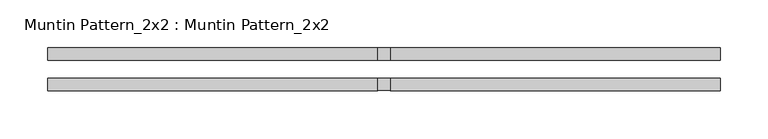
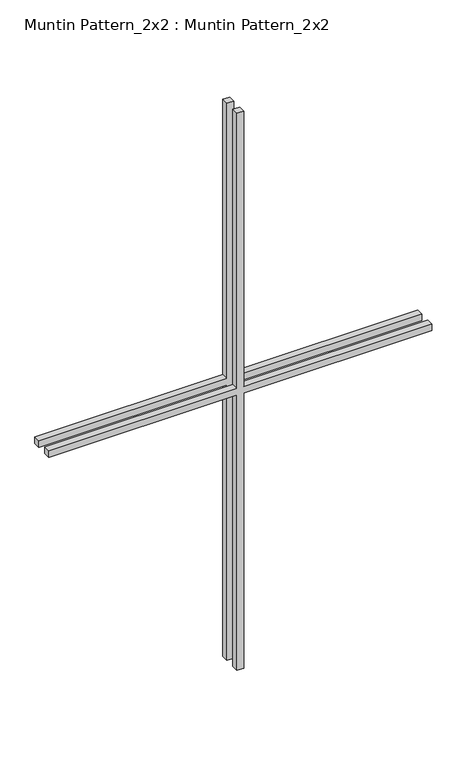
"""IFC4 building model written with IfcOpenShell, lengths in millimetres: proxy geometry, Muntin Pattern_2x2 : Muntin Pattern_2x2."""

from ifc_helpers import new_model, si_unit, frame, origin, place, context, project, spatial, polyline, outline, extrude, source, transform, mapped, element, save


def muntin_pattern_2x2_muntin_pattern_2x2_0914ab79(model_context):
    return source(origin(), model_context, "Body", "SweptSolid", [
        extrude(outline(polyline([(546.1, -6.35), (546.1, -350.8375), (533.4, -350.8375), (533.4, -6.35), (0.0, -6.35), (0.0, 6.35), (533.4, 6.35), (533.4, 350.8375), (546.1, 350.8375), (546.1, 6.35), (1079.5, 6.35), (1079.5, -6.35), (546.1, -6.35)])), frame((0.0, -22.225, 0.0), z_axis=(0.0, 1.0, 0.0), x_axis=(0.0, 0.0, 1.0)), (0.0, 0.0, 1.0), 12.7),
        extrude(outline(polyline([(546.1, -6.35), (546.1, -350.8375), (533.4, -350.8375), (533.4, -6.35), (0.0, -6.35), (0.0, 6.35), (533.4, 6.35), (533.4, 350.8375), (546.1, 350.8375), (546.1, 6.35), (1079.5, 6.35), (1079.5, -6.35), (546.1, -6.35)])), frame((0.0, 9.525, 0.0), z_axis=(0.0, 1.0, 0.0), x_axis=(0.0, 0.0, 1.0)), (0.0, 0.0, 1.0), 12.7),
    ])


if __name__ == "__main__":
    model = new_model("IFC4")
    model_context = context("Model", 3, world=origin())
    ifc_project = project(units=[si_unit("LENGTHUNIT", "METRE", prefix="MILLI")], contexts=[model_context])
    site = spatial("IfcSite", under=ifc_project)
    building = spatial("IfcBuilding", under=site)
    placement = place(None, origin())
    muntin_pattern_2x2_muntin_pattern_2x2_shape = muntin_pattern_2x2_muntin_pattern_2x2_0914ab79(model_context)
    element("IfcBuildingElementProxy", 1, Name="Muntin Pattern_2x2 : Muntin Pattern_2x2", ObjectType="Muntin Pattern_2x2 : Muntin Pattern_2x2", at=placement, inside=building, context=model_context, shape_type="MappedRepresentation", body=[
        mapped(muntin_pattern_2x2_muntin_pattern_2x2_shape, transform((0.0, 0.0, 0.0), x_axis=(1.0, 0.0, 0.0), y_axis=(0.0, 1.0, 0.0), z_axis=(0.0, 0.0, 1.0))),
    ])
    save(model, "model.ifc")
